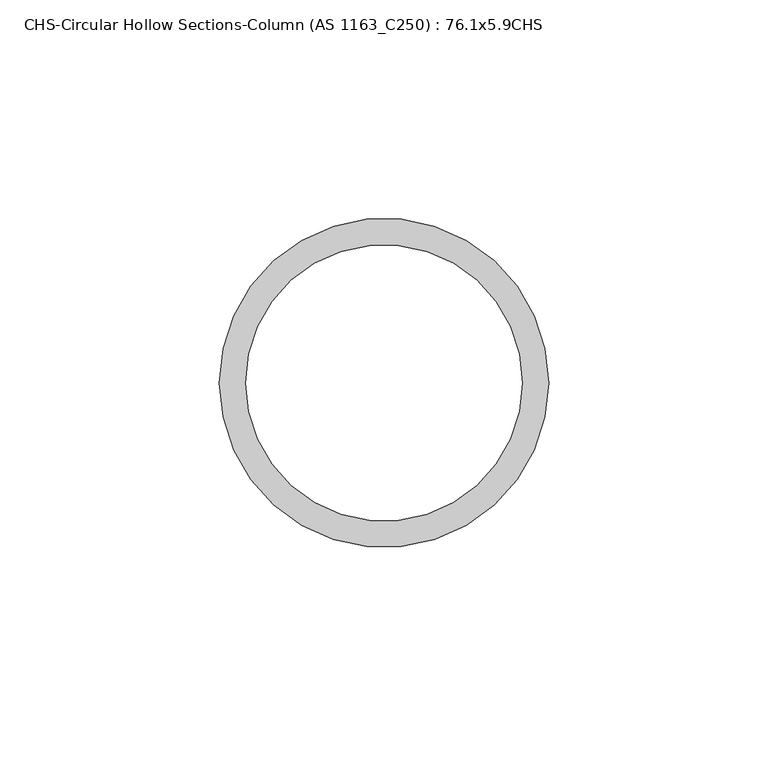
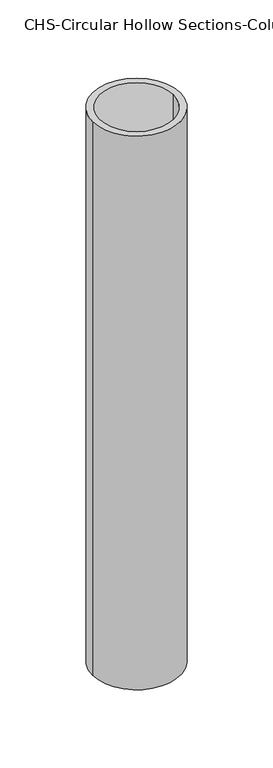
"""IFC4 building model written with IfcOpenShell, lengths in millimetres: column geometry, CHS-Circular Hollow Sections-Column (AS 1163_C250) : 76.1x5.9CHS."""

from ifc_helpers import new_model, si_unit, point, frame, origin, origin_2d, place, context, project, spatial, circle_curve, trimmed, segment, composite_curve, outline, extrude, source, transform, mapped, element, save


def chs_circular_hollow_sections_column_as_1163_c250_76_1x5_9chs_401c19d9(model_context):
    return source(origin(), model_context, "Body", "SweptSolid", [
        extrude(outline(composite_curve([segment(trimmed(circle_curve(origin_2d(), 37.5), [point((-37.5, 0.0))], [point((37.5, 0.0))], False, "CARTESIAN"), True, "CONTINUOUS"), segment(trimmed(circle_curve(origin_2d(), 37.5), [point((37.5, 0.0))], [point((-37.5, 0.0))], False, "CARTESIAN"), True, "CONTINUOUS")], self_intersect=False), holes=[composite_curve([segment(trimmed(circle_curve(origin_2d(), 31.5), [point((-31.5, 0.0))], [point((31.5, 0.0))], True, "CARTESIAN"), True, "CONTINUOUS"), segment(trimmed(circle_curve(origin_2d(), 31.5), [point((31.5, 0.0))], [point((-31.5, 0.0))], True, "CARTESIAN"), True, "CONTINUOUS")], self_intersect=False)]), frame((0.0, 0.0, -500.0), z_axis=(0.0, 0.0, 1.0), x_axis=(1.0, 0.0, 0.0)), (0.0, 0.0, 1.0), 500.0),
    ])


if __name__ == "__main__":
    model = new_model("IFC4")
    model_context = context("Model", 3, world=origin())
    ifc_project = project(units=[si_unit("LENGTHUNIT", "METRE", prefix="MILLI")], contexts=[model_context])
    site = spatial("IfcSite", under=ifc_project)
    building = spatial("IfcBuilding", under=site)
    placement = place(None, origin())
    chs_circular_hollow_sections_column_as_1163_c250_76_1x5_9chs_shape = chs_circular_hollow_sections_column_as_1163_c250_76_1x5_9chs_401c19d9(model_context)
    element("IfcColumn", 1, ObjectType="CHS-Circular Hollow Sections-Column (AS 1163_C250) : 76.1x5.9CHS", at=placement, inside=building, context=model_context, shape_type="MappedRepresentation", body=[
        mapped(chs_circular_hollow_sections_column_as_1163_c250_76_1x5_9chs_shape, transform((0.0, 0.0, 0.0), x_axis=(1.0, 0.0, 0.0), y_axis=(0.0, 1.0, 0.0), z_axis=(0.0, 0.0, 1.0))),
    ])
    save(model, "model.ifc")
